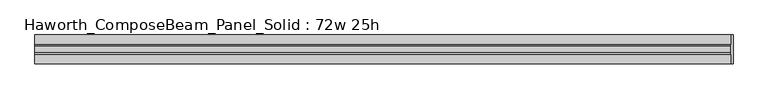
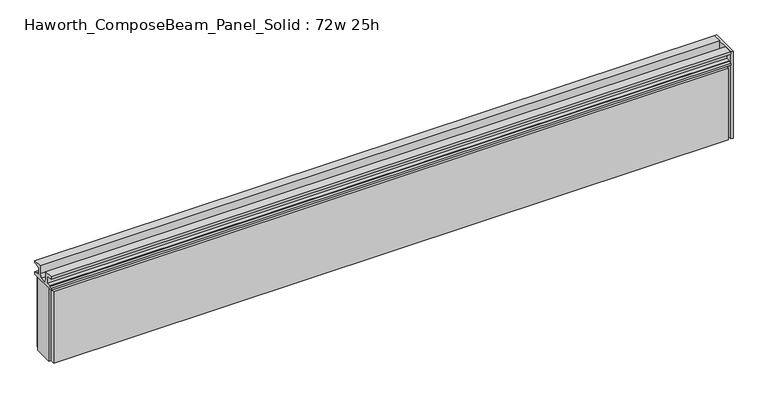
"""IFC4 building model written with IfcOpenShell, lengths in millimetres: furniture geometry, Haworth_ComposeBeam_Panel_Solid : 72w 25h."""

from ifc_helpers import new_model, si_unit, frame, origin, place, context, project, spatial, polyline, outline, extrude, source, transform, mapped, element, save


def haworth_composebeam_panel_solid_72w_25h_95a6d084(model_context):
    return source(origin(), model_context, "Body", "SweptSolid", [
        extrude(outline(polyline([(38.1, 673.1), (30.6197, 673.1), (30.6197, 670.8139719), (19.6976996, 670.8139719), (19.6976996, 649.9860281), (30.6197, 649.9860281), (30.6197, 647.7), (38.0999989, 647.7), (38.0999989, 641.35), (-38.1000011, 641.35), (-38.1000011, 647.7), (-30.6197023, 647.7), (-30.6197023, 649.9860281), (-19.6977019, 649.9860281), (-19.6977019, 670.8139719), (-30.6197023, 670.8139719), (-30.6197023, 673.1), (-38.1000023, 673.1), (-38.1000023, 679.45), (-13.5001026, 679.45), (-13.5001026, 657.6828071), (-8.7648498, 647.7), (8.7648475, 647.7), (13.5001003, 657.6828071), (13.5001003, 679.45), (38.1, 679.45), (38.1, 673.1)])), frame((-911.9597098, 0.0, 0.0), z_axis=(1.0, 0.0, 0.0), x_axis=(0.0, 1.0, 0.0)), (0.0, 0.0, 1.0), 1828.8),
        extrude(outline(polyline([(923.1902902, -38.1), (916.8402902, -38.1), (916.8402902, 38.1), (923.1902902, 38.1), (923.1902902, -38.1)])), frame((0.0, 0.0, 431.8), z_axis=(0.0, 0.0, 1.0), x_axis=(1.0, 0.0, 0.0)), (0.0, 0.0, 1.0), 247.65),
        extrude(outline(polyline([(916.8402902, 25.4), (916.8402902, -25.4), (-911.9597098, -25.4), (-911.9597098, 25.4), (916.8402902, 25.4)])), frame((0.0, 0.0, 431.8), z_axis=(0.0, 0.0, 1.0), x_axis=(1.0, 0.0, 0.0)), (0.0, 0.0, 1.0), 209.55),
        extrude(outline(polyline([(-905.6097098, 25.4), (-905.6097098, 38.1), (910.4902902, 38.1), (910.4902902, 25.4), (-905.6097098, 25.4)])), frame((0.0, 0.0, 431.8), z_axis=(0.0, 0.0, 1.0), x_axis=(1.0, 0.0, 0.0)), (0.0, 0.0, 1.0), 203.2),
        extrude(outline(polyline([(-905.6097098, -38.1), (-905.6097098, -25.4), (910.4902902, -25.4), (910.4902902, -38.1), (-905.6097098, -38.1)])), frame((0.0, 0.0, 431.8), z_axis=(0.0, 0.0, 1.0), x_axis=(1.0, 0.0, 0.0)), (0.0, 0.0, 1.0), 203.2),
    ])


if __name__ == "__main__":
    model = new_model("IFC4")
    model_context = context("Model", 3, world=origin())
    ifc_project = project(units=[si_unit("LENGTHUNIT", "METRE", prefix="MILLI")], contexts=[model_context])
    site = spatial("IfcSite", under=ifc_project)
    building = spatial("IfcBuilding", under=site)
    placement = place(None, origin())
    haworth_composebeam_panel_solid_72w_25h_shape = haworth_composebeam_panel_solid_72w_25h_95a6d084(model_context)
    element("IfcFurniture", 1, ObjectType="Haworth_ComposeBeam_Panel_Solid : 72w 25h", at=placement, inside=building, context=model_context, shape_type="MappedRepresentation", body=[
        mapped(haworth_composebeam_panel_solid_72w_25h_shape, transform((0.0, 0.0, 0.0), x_axis=(1.0, 0.0, 0.0), y_axis=(0.0, 1.0, 0.0), z_axis=(0.0, 0.0, 1.0))),
    ])
    save(model, "model.ifc")
